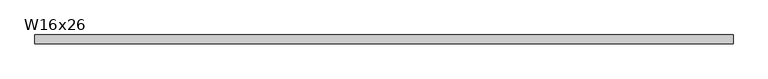
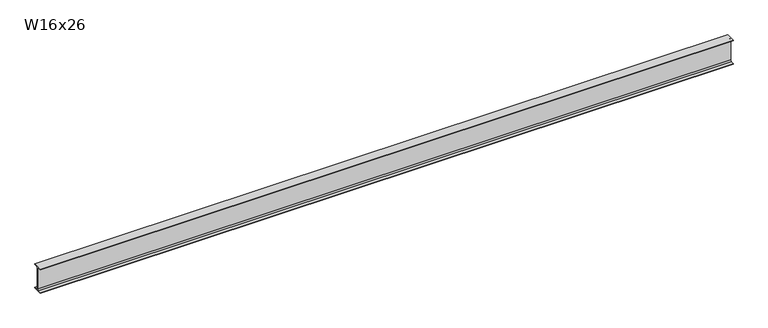
"""IFC4 building model written with IfcOpenShell, lengths in millimetres: beam geometry, W16x26."""

from ifc_helpers import new_model, si_unit, point, frame, frame_2d, origin, place, context, project, spatial, polyline, circle_curve, trimmed, segment, composite_curve, outline, extrude, source, transform, mapped, element, save


def w16x26_808b1b7e(model_context):
    return source(origin(), model_context, "Body", "SweptSolid", [
        extrude(outline(composite_curve([segment(polyline([(69.85, -190.627), (69.85, -199.39), (-69.85, -199.39), (-69.85, -190.627), (-21.3995, -190.627)]), True, "CONTINUOUS"), segment(trimmed(circle_curve(frame_2d((-21.3995, -172.4025)), 18.2245), [point((-21.3995, -190.627))], [point((-3.175, -172.4025))], True, "CARTESIAN"), True, "CONTINUOUS"), segment(polyline([(-3.175, -172.4025), (-3.175, 172.4025)]), True, "CONTINUOUS"), segment(trimmed(circle_curve(frame_2d((-21.3995, 172.4025)), 18.2245), [point((-3.175, 172.4025))], [point((-21.3995, 190.627))], True, "CARTESIAN"), True, "CONTINUOUS"), segment(polyline([(-21.3995, 190.627), (-69.85, 190.627), (-69.85, 199.39), (69.85, 199.39), (69.85, 190.627), (21.3995, 190.627)]), True, "CONTINUOUS"), segment(trimmed(circle_curve(frame_2d((21.3995, 172.4025)), 18.2245), [point((21.3995, 190.627))], [point((3.175, 172.4025))], True, "CARTESIAN"), True, "CONTINUOUS"), segment(polyline([(3.175, 172.4025), (3.175, -172.4025)]), True, "CONTINUOUS"), segment(trimmed(circle_curve(frame_2d((21.3995, -172.4025)), 18.2245), [point((3.175, -172.4025))], [point((21.3995, -190.627))], True, "CARTESIAN"), True, "CONTINUOUS"), segment(polyline([(21.3995, -190.627), (69.85, -190.627)]), True, "CONTINUOUS")], self_intersect=False)), frame((-5380.4196904, 0.0, 0.0), z_axis=(1.0, 0.0, 0.0), x_axis=(0.0, 1.0, 0.0)), (0.0, 0.0, 1.0), 10881.896127),
    ])


if __name__ == "__main__":
    model = new_model("IFC4")
    model_context = context("Model", 3, world=origin())
    ifc_project = project(units=[si_unit("LENGTHUNIT", "METRE", prefix="MILLI")], contexts=[model_context])
    site = spatial("IfcSite", under=ifc_project)
    building = spatial("IfcBuilding", under=site)
    placement = place(None, origin())
    w16x26_shape = w16x26_808b1b7e(model_context)
    element("IfcBeam", 1, ObjectType="W16x26", at=placement, inside=building, context=model_context, shape_type="MappedRepresentation", body=[
        mapped(w16x26_shape, transform((0.0, 0.0, 0.0), x_axis=(1.0, 0.0, 0.0), y_axis=(0.0, 1.0, 0.0), z_axis=(0.0, 0.0, 1.0))),
    ])
    save(model, "model.ifc")
